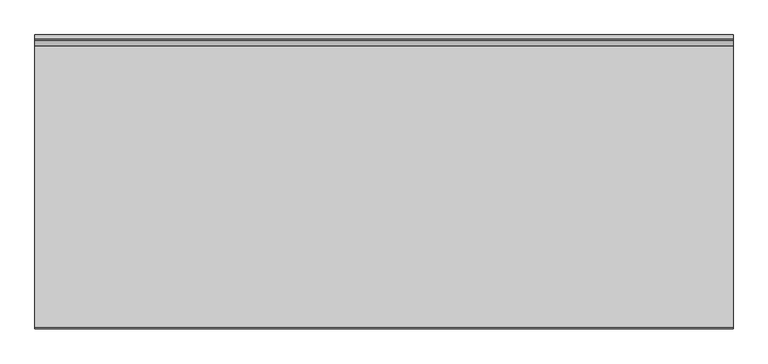
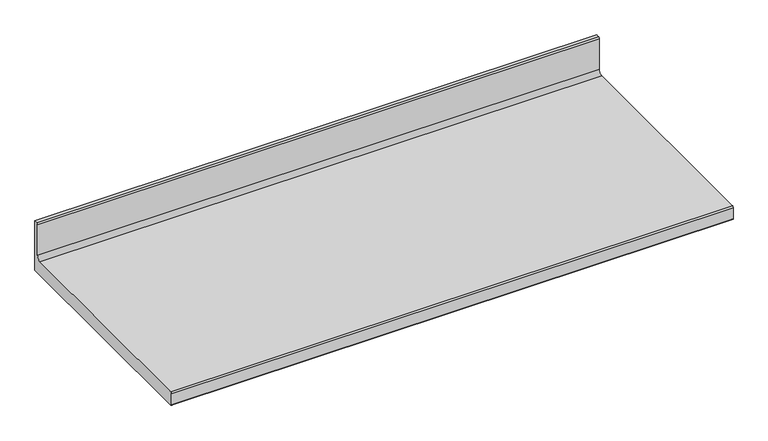
"""IFC4 building model written with IfcOpenShell, lengths in millimetres: furniture geometry."""

from ifc_helpers import new_model, si_unit, point, frame, frame_2d, origin, place, context, project, spatial, polyline, circle_curve, trimmed, segment, composite_curve, outline, extrude, source, transform, mapped, element, save


def furniture_6a4b798c(model_context):
    return source(origin(), model_context, "Body", "SweptSolid", [
        extrude(outline(composite_curve([segment(polyline([(488.4002442, 583.1000671), (-143.721014, 583.1000671)]), True, "CONTINUOUS"), segment(trimmed(circle_curve(frame_2d((-143.721014, 585.9788088)), 2.8787417), [point((-143.721014, 583.1000671))], [point((-146.5997558, 585.9788088))], False, "CARTESIAN"), True, "CONTINUOUS"), segment(polyline([(-146.5997558, 585.9788088), (-146.5997558, 617.7620871)]), True, "CONTINUOUS"), segment(trimmed(circle_curve(frame_2d((-143.1617272, 617.7620871)), 3.4380285), [point((-146.5997558, 617.7620871))], [point((-143.1617272, 621.2001156))], False, "CARTESIAN"), True, "CONTINUOUS"), segment(polyline([(-143.1617272, 621.2001156), (465.2461147, 621.2001156)]), True, "CONTINUOUS"), segment(trimmed(circle_curve(frame_2d((465.2461147, 632.3720839)), 11.1719683), [point((465.2461147, 621.2001156))], [point((476.4180831, 632.3720839))], True, "CARTESIAN"), True, "CONTINUOUS"), segment(polyline([(476.4180831, 632.3720839), (476.4180831, 719.5700811)]), True, "CONTINUOUS"), segment(trimmed(circle_curve(frame_2d((479.648166, 719.5700811)), 3.230083), [point((476.4180831, 719.5700811))], [point((479.648166, 722.800164))], False, "CARTESIAN"), True, "CONTINUOUS"), segment(polyline([(479.648166, 722.800164), (488.4002442, 722.800164), (488.4002442, 583.1000671)]), True, "CONTINUOUS")], self_intersect=False)), frame((-12.7, 0.0, 0.0), z_axis=(1.0, 0.0, 0.0), x_axis=(0.0, 1.0, 0.0)), (0.0, 0.0, 1.0), 1508.252),
    ])


if __name__ == "__main__":
    model = new_model("IFC4")
    model_context = context("Model", 3, world=origin())
    ifc_project = project(units=[si_unit("LENGTHUNIT", "METRE", prefix="MILLI")], contexts=[model_context])
    site = spatial("IfcSite", under=ifc_project)
    building = spatial("IfcBuilding", under=site)
    placement = place(None, origin())
    furniture_shape = furniture_6a4b798c(model_context)
    element("IfcFurniture", 1, at=placement, inside=building, context=model_context, shape_type="MappedRepresentation", body=[
        mapped(furniture_shape, transform((0.0, 0.0, 0.0), x_axis=(1.0, 0.0, 0.0), y_axis=(0.0, 1.0, 0.0), z_axis=(0.0, 0.0, 1.0))),
    ])
    save(model, "model.ifc")
